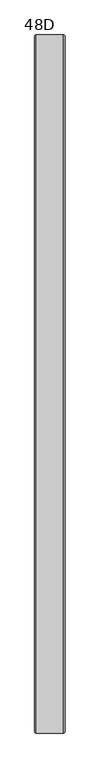
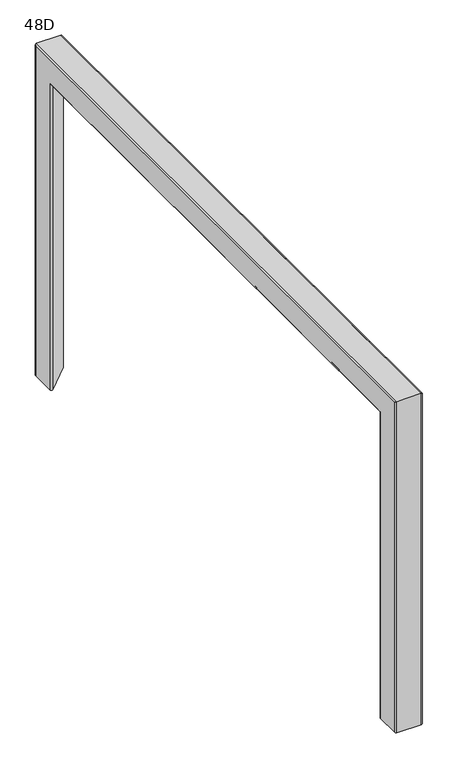
"""IFC4 building model written with IfcOpenShell, lengths in millimetres: furniture geometry, 48D."""

from ifc_helpers import new_model, si_unit, frame, origin, place, context, project, spatial, polyline, circle_curve, ellipse_curve, source, transform, mapped, element, save
from ifc_brep_helpers import plane_surface, cylinder_surface, revolved_surface, advanced_brep


def furniture_48d_151411e8(model_context):
    return source(origin(), model_context, "Body", "AdvancedBrep", [
        advanced_brep(
        [(-26.5, -557.2730518, 11.0), (-21.926821, -555.378779, 11.0), (25.721221, -603.026821, 11.0), (23.8269482, -607.6, 11.0), (-23.8210938, -607.6, 11.0), (-26.5, -604.9210938, 11.0), (-24.515625, -557.2730518, 11.0), (-24.515625, -604.9210938, 11.0), (-23.8210938, -605.615625, 11.0), (23.8269482, -605.615625, 11.0), (24.318056, -604.429986, 11.0), (-23.329986, -556.781944, 11.0), (-26.5, -557.2730518, 641.8230518), (-21.926821, -555.378779, 639.928779), (25.721221, -603.026821, 687.576821), (23.8269482, -607.6, 692.15), (-23.8210938, -607.6, 692.15), (-26.5, -604.9210938, 689.4710937), (-26.5, 604.9210937, 689.4710937), (-26.5, 604.9210937, 11.0), (-26.5, 557.2730518, 11.0), (-26.5, 557.2730518, 641.8230518), (-24.515625, -557.2730518, 641.8230518), (-24.515625, 557.2730518, 641.8230518), (-24.515625, 557.2730518, 11.0), (-24.515625, 604.9210937, 11.0), (-24.515625, 604.9210937, 689.4710937), (-24.515625, -604.9210938, 689.4710937), (-23.8210938, -605.615625, 690.165625), (23.8269482, -605.615625, 690.165625), (24.318056, -604.429986, 688.979986), (-23.329986, -556.781944, 641.331944), (-21.926821, 555.378779, 639.928779), (25.721221, 603.026821, 687.576821), (25.721221, 484.2418, 687.576821), (-14.0192722, 484.2418, 647.8363278), (-15.9638158, 483.5049397, 645.8917842), (-17.3873206, 481.4918, 644.4682794), (-17.9083595, 478.7418, 643.9472405), (-17.9083595, 434.2418, 643.9472405), (-17.3873206, 431.4918, 644.4682794), (-15.9638158, 429.4786603, 645.8917842), (-14.0192722, 428.7418, 647.8363278), (25.721221, 428.7418, 687.576821), (25.721221, 202.75, 687.576821), (-14.0192722, 202.75, 647.8363278), (-15.9638158, 202.0131397, 645.8917842), (-17.3873206, 200.0, 644.4682794), (-17.9083595, 197.25, 643.9472405), (-17.9083595, 152.75, 643.9472405), (-17.3873206, 150.0, 644.4682794), (-15.9638158, 147.9868603, 645.8917842), (-14.0192722, 147.25, 647.8363278), (25.721221, 147.25, 687.576821), (25.721221, -147.25, 687.576821), (-14.0192722, -147.25, 647.8363278), (-15.9638158, -147.9868603, 645.8917842), (-17.3873206, -150.0, 644.4682794), (-17.9083595, -152.75, 643.9472405), (-17.9083595, -197.25, 643.9472405), (-17.3873206, -200.0, 644.4682794), (-15.9638158, -202.0131397, 645.8917842), (-14.6790118, -202.5, 647.1765882), (25.721221, -202.5, 687.576821), (25.721221, -428.7418, 687.576821), (-14.0192722, -428.7418, 647.8363278), (-15.9638158, -429.4786603, 645.8917842), (-17.3873206, -431.4918, 644.4682794), (-17.9083595, -434.2418, 643.9472405), (-17.9083595, -478.7418, 643.9472405), (-17.3873206, -481.4918, 644.4682794), (-15.9638158, -483.5049397, 645.8917842), (-14.0192722, -484.2418, 647.8363278), (25.721221, -484.2418, 687.576821), (26.4706331, -484.2418, 689.9040702), (26.4706331, -428.7418, 689.9040702), (26.4763631, -202.5, 689.8675021), (26.4763631, -147.25, 689.8675021), (26.4763631, 147.25, 689.8675021), (26.4763631, 202.75, 689.8675021), (26.4763631, 428.7418, 689.8675021), (26.4763631, 484.2418, 689.8675021), (23.8269482, 607.6, 692.15), (-23.8210938, 607.6, 692.15), (-23.8210938, 605.615625, 690.165625), (23.8269482, 605.615625, 690.165625), (24.318056, 604.429986, 688.979986), (24.318056, 484.2418, 688.979986), (24.3972412, 484.2418, 689.8675021), (24.3972412, 428.7418, 689.8675021), (24.318056, 428.7418, 688.979986), (24.318056, 202.75, 688.979986), (24.3972412, 202.75, 689.8675021), (24.3972412, 147.25, 689.8675021), (24.318056, 147.25, 688.979986), (24.318056, -147.25, 688.979986), (24.3972412, -147.25, 689.8675021), (24.3972412, -202.5, 689.8675021), (24.318056, -202.5, 688.979986), (24.318056, -428.7418, 688.979986), (24.3699998, -428.7418, 689.9040702), (24.3699998, -484.2418, 689.9040702), (24.318056, -484.2418, 688.979986), (-16.8256022, -484.2418, 647.8363278), (-18.7701459, -483.5049397, 645.8917842), (-20.1936506, -481.4918, 644.4682794), (-20.7146895, -478.7418, 643.9472405), (-20.7146895, -434.2418, 643.9472405), (-20.1936506, -431.4918, 644.4682794), (-18.7701459, -429.4786603, 645.8917842), (-16.8256022, -428.7418, 647.8363278), (-17.4853418, -202.5, 647.1765882), (-18.7701459, -202.0131397, 645.8917842), (-20.1936506, -200.0, 644.4682794), (-20.7146895, -197.25, 643.9472405), (-20.7146895, -152.75, 643.9472405), (-20.1936506, -150.0, 644.4682794), (-18.7701459, -147.9868603, 645.8917842), (-16.8256022, -147.25, 647.8363278), (-16.8256022, 147.25, 647.8363278), (-18.7701459, 147.9868603, 645.8917842), (-20.1936506, 150.0, 644.4682794), (-20.7146895, 152.75, 643.9472405), (-20.7146895, 197.25, 643.9472405), (-20.1936506, 200.0, 644.4682794), (-18.7701459, 202.0131397, 645.8917842), (-16.8256022, 202.75, 647.8363278), (-16.8256022, 428.7418, 647.8363278), (-18.7701459, 429.4786603, 645.8917842), (-20.1936506, 431.4918, 644.4682794), (-20.7146895, 434.2418, 643.9472405), (-20.7146895, 478.7418, 643.9472405), (-20.1936506, 481.4918, 644.4682794), (-18.7701459, 483.5049397, 645.8917842), (-16.8256022, 484.2418, 647.8363278), (-23.329986, 556.781944, 641.331944), (-23.8210938, 607.6, 11.0), (23.8269482, 607.6, 11.0), (25.721221, 603.026821, 11.0), (-21.926821, 555.378779, 11.0), (-23.329986, 556.781944, 11.0), (24.318056, 604.429986, 11.0), (23.8269482, 605.615625, 11.0), (-23.8210938, 605.615625, 11.0)],
        [
            (0, 1, circle_curve(frame((-23.8210938, -557.2730518, 11.0), z_axis=(0.0, 0.0, -1.0), x_axis=(0.0, 1.0, 0.0)), 2.6789063)),
            (1, 2),
            (2, 3, circle_curve(frame((23.8269482, -604.9210938, 11.0), z_axis=(0.0, 0.0, -1.0), x_axis=(0.0, 1.0, 0.0)), 2.6789062)),
            (3, 4),
            (4, 5, circle_curve(frame((-23.8210938, -604.9210938, 11.0), z_axis=(0.0, 0.0, -1.0), x_axis=(0.0, 1.0, 0.0)), 2.6789063)),
            (5, 0),
            (6, 7),
            (7, 8, circle_curve(frame((-23.8210938, -604.9210938, 11.0), z_axis=(0.0, 0.0, 1.0), x_axis=(0.0, 1.0, 0.0)), 0.6945312)),
            (8, 9),
            (9, 10, circle_curve(frame((23.8269482, -604.9210938, 11.0), z_axis=(0.0, 0.0, 1.0), x_axis=(0.0, 1.0, 0.0)), 0.6945312)),
            (10, 11),
            (11, 6, circle_curve(frame((-23.8210938, -557.2730518, 11.0), z_axis=(0.0, 0.0, 1.0), x_axis=(0.0, 1.0, 0.0)), 0.6945313)),
            (0, 12),
            (12, 13, ellipse_curve(frame((-23.8210938, -557.2730518, 641.8230518), z_axis=(0.0, -0.7071067811865475, -0.7071067811865475), x_axis=(0.0, 0.7071067811865474, -0.7071067811865476)), 3.7885456, 2.6789063)),
            (13, 1),
            (13, 14),
            (14, 2),
            (14, 15, ellipse_curve(frame((23.8269482, -604.9210938, 689.4710937), z_axis=(0.0, -0.7071067811865475, -0.7071067811865475), x_axis=(0.0, 0.7071067811865474, -0.7071067811865476)), 3.7885456, 2.6789063)),
            (15, 3),
            (15, 16),
            (16, 4),
            (16, 17, ellipse_curve(frame((-23.8210938, -604.9210938, 689.4710937), z_axis=(0.0, -0.7071067811865475, -0.7071067811865475), x_axis=(0.0, 0.7071067811865474, -0.7071067811865476)), 3.7885456, 2.6789063)),
            (17, 5),
            (17, 18),
            (18, 19),
            (19, 20),
            (20, 21),
            (21, 12),
            (6, 22),
            (22, 23),
            (23, 24),
            (24, 25),
            (25, 26),
            (26, 27),
            (27, 7),
            (27, 28, ellipse_curve(frame((-23.8210938, -604.9210938, 689.4710937), z_axis=(0.0, 0.7071067811865475, 0.7071067811865475), x_axis=(0.0, -0.7071067811865474, 0.7071067811865476)), 0.9822155, 0.6945312)),
            (28, 8),
            (28, 29),
            (29, 9),
            (29, 30, ellipse_curve(frame((23.8269482, -604.9210938, 689.4710937), z_axis=(0.0, 0.7071067811865475, 0.7071067811865475), x_axis=(0.0, -0.7071067811865474, 0.7071067811865476)), 0.9822155, 0.6945312)),
            (30, 10),
            (30, 31),
            (31, 11),
            (31, 22, ellipse_curve(frame((-23.8210938, -557.2730518, 641.8230518), z_axis=(0.0, 0.7071067811865475, 0.7071067811865475), x_axis=(0.0, -0.7071067811865474, 0.7071067811865476)), 0.9822155, 0.6945312)),
            (21, 32, ellipse_curve(frame((-23.8210938, 557.2730518, 641.8230518), z_axis=(0.0, -0.7071067811865475, 0.7071067811865475), x_axis=(0.0, -0.7071067811865476, -0.7071067811865474)), 3.7885456, 2.6789063)),
            (32, 13),
            (32, 33),
            (33, 34),
            (34, 35),
            (35, 36),
            (36, 37),
            (37, 38),
            (38, 39),
            (39, 40),
            (40, 41),
            (41, 42),
            (42, 43),
            (43, 44),
            (44, 45),
            (45, 46),
            (46, 47),
            (47, 48),
            (48, 49),
            (49, 50),
            (50, 51),
            (51, 52),
            (52, 53),
            (53, 54),
            (54, 55),
            (55, 56),
            (56, 57),
            (57, 58),
            (58, 59),
            (59, 60),
            (60, 61),
            (61, 62),
            (62, 63),
            (63, 64),
            (64, 65),
            (65, 66),
            (66, 67),
            (67, 68),
            (68, 69),
            (69, 70),
            (70, 71),
            (71, 72),
            (72, 73),
            (73, 14),
            (73, 74, circle_curve(frame((23.8269482, -484.2418, 689.4710937), z_axis=(0.0, -1.0, 0.0), x_axis=(0.0, 0.0, -1.0)), 2.6789063)),
            (74, 75),
            (75, 64, circle_curve(frame((23.8269482, -428.7418, 689.4710937), z_axis=(0.0, 1.0, 0.0), x_axis=(0.0, 0.0, -1.0)), 2.6789063)),
            (63, 76, circle_curve(frame((23.8269482, -202.5, 689.4710937), z_axis=(0.0, -1.0, 0.0), x_axis=(0.0, 0.0, -1.0)), 2.6789063)),
            (76, 77),
            (77, 54, circle_curve(frame((23.8269482, -147.25, 689.4710937), z_axis=(0.0, 1.0, 0.0), x_axis=(0.0, 0.0, -1.0)), 2.6789063)),
            (53, 78, circle_curve(frame((23.8269482, 147.25, 689.4710937), z_axis=(0.0, -1.0, 0.0), x_axis=(0.0, 0.0, -1.0)), 2.6789063)),
            (78, 79),
            (79, 44, circle_curve(frame((23.8269482, 202.75, 689.4710937), z_axis=(0.0, 1.0, 0.0), x_axis=(0.0, 0.0, -1.0)), 2.6789063)),
            (43, 80, circle_curve(frame((23.8269482, 428.7418, 689.4710937), z_axis=(0.0, -1.0, 0.0), x_axis=(0.0, 0.0, -1.0)), 2.6789063)),
            (80, 81),
            (81, 34, circle_curve(frame((23.8269482, 484.2418, 689.4710937), z_axis=(0.0, 1.0, 0.0), x_axis=(0.0, 0.0, -1.0)), 2.6789063)),
            (33, 82, ellipse_curve(frame((23.8269482, 604.9210937, 689.4710937), z_axis=(0.0, -0.7071067811865475, 0.7071067811865475), x_axis=(0.0, -0.7071067811865476, -0.7071067811865474)), 3.7885456, 2.6789063)),
            (82, 15),
            (82, 83),
            (83, 16),
            (83, 18, ellipse_curve(frame((-23.8210938, 604.9210937, 689.4710937), z_axis=(0.0, -0.7071067811865475, 0.7071067811865475), x_axis=(0.0, -0.7071067811865476, -0.7071067811865474)), 3.7885456, 2.6789063)),
            (26, 84, ellipse_curve(frame((-23.8210938, 604.9210937, 689.4710937), z_axis=(0.0, 0.7071067811865475, -0.7071067811865475), x_axis=(0.0, 0.7071067811865476, 0.7071067811865474)), 0.9822155, 0.6945312)),
            (84, 28),
            (84, 85),
            (85, 29),
            (85, 86, ellipse_curve(frame((23.8269482, 604.9210937, 689.4710937), z_axis=(0.0, 0.7071067811865475, -0.7071067811865475), x_axis=(0.0, 0.7071067811865476, 0.7071067811865474)), 0.9822155, 0.6945312)),
            (86, 87),
            (87, 88, circle_curve(frame((23.8269482, 484.2418, 689.4710937), z_axis=(0.0, -1.0, 0.0), x_axis=(0.0, 0.0, -1.0)), 0.6945313)),
            (88, 89),
            (89, 90, circle_curve(frame((23.8269482, 428.7418, 689.4710937), z_axis=(0.0, 1.0, 0.0), x_axis=(0.0, 0.0, -1.0)), 0.6945313)),
            (90, 91),
            (91, 92, circle_curve(frame((23.8269482, 202.75, 689.4710937), z_axis=(0.0, -1.0, 0.0), x_axis=(0.0, 0.0, -1.0)), 0.6945313)),
            (92, 93),
            (93, 94, circle_curve(frame((23.8269482, 147.25, 689.4710937), z_axis=(0.0, 1.0, 0.0), x_axis=(0.0, 0.0, -1.0)), 0.6945312)),
            (94, 95),
            (95, 96, circle_curve(frame((23.8269482, -147.25, 689.4710937), z_axis=(0.0, -1.0, 0.0), x_axis=(0.0, 0.0, -1.0)), 0.6945313)),
            (96, 97),
            (97, 98, circle_curve(frame((23.8269482, -202.5, 689.4710937), z_axis=(0.0, 1.0, 0.0), x_axis=(0.0, 0.0, -1.0)), 0.6945312)),
            (98, 99),
            (99, 100, circle_curve(frame((23.8269482, -428.7418, 689.4710937), z_axis=(0.0, -1.0, 0.0), x_axis=(0.0, 0.0, -1.0)), 0.6945313)),
            (100, 101),
            (101, 102, circle_curve(frame((23.8269482, -484.2418, 689.4710937), z_axis=(0.0, 1.0, 0.0), x_axis=(0.0, 0.0, -1.0)), 0.6945313)),
            (102, 30),
            (102, 103),
            (103, 104),
            (104, 105),
            (105, 106),
            (106, 107),
            (107, 108),
            (108, 109),
            (109, 110),
            (110, 99),
            (98, 111),
            (111, 112),
            (112, 113),
            (113, 114),
            (114, 115),
            (115, 116),
            (116, 117),
            (117, 118),
            (118, 95),
            (94, 119),
            (119, 120),
            (120, 121),
            (121, 122),
            (122, 123),
            (123, 124),
            (124, 125),
            (125, 126),
            (126, 91),
            (90, 127),
            (127, 128),
            (128, 129),
            (129, 130),
            (130, 131),
            (131, 132),
            (132, 133),
            (133, 134),
            (134, 87),
            (86, 135),
            (135, 31),
            (135, 23, ellipse_curve(frame((-23.8210938, 557.2730518, 641.8230518), z_axis=(0.0, 0.7071067811865475, -0.7071067811865475), x_axis=(0.0, 0.7071067811865476, 0.7071067811865474)), 0.9822155, 0.6945312)),
            (19, 136, circle_curve(frame((-23.8210938, 604.9210937, 11.0), z_axis=(0.0, 0.0, -1.0), x_axis=(0.0, -1.0, 0.0)), 2.6789063)),
            (136, 137),
            (137, 138, circle_curve(frame((23.8269482, 604.9210937, 11.0), z_axis=(0.0, 0.0, -1.0), x_axis=(0.0, -1.0, 0.0)), 2.6789063)),
            (138, 139),
            (139, 20, circle_curve(frame((-23.8210938, 557.2730518, 11.0), z_axis=(0.0, 0.0, -1.0), x_axis=(0.0, -1.0, 0.0)), 2.6789062)),
            (24, 140, circle_curve(frame((-23.8210938, 557.2730518, 11.0), z_axis=(0.0, 0.0, 1.0), x_axis=(0.0, -1.0, 0.0)), 0.6945312)),
            (140, 141),
            (141, 142, circle_curve(frame((23.8269482, 604.9210937, 11.0), z_axis=(0.0, 0.0, 1.0), x_axis=(0.0, -1.0, 0.0)), 0.6945313)),
            (142, 143),
            (143, 25, circle_curve(frame((-23.8210938, 604.9210937, 11.0), z_axis=(0.0, 0.0, 1.0), x_axis=(0.0, -1.0, 0.0)), 0.6945312)),
            (139, 32),
            (138, 33),
            (137, 82),
            (136, 83),
            (143, 84),
            (142, 85),
            (141, 86),
            (140, 135),
            (103, 72),
            (71, 104),
            (70, 105),
            (69, 106),
            (68, 107),
            (67, 108),
            (66, 109),
            (65, 110),
            (75, 100),
            (74, 101),
            (133, 36),
            (35, 134),
            (132, 37),
            (131, 38),
            (130, 39),
            (129, 40),
            (128, 41),
            (127, 42),
            (89, 80),
            (88, 81),
            (125, 46),
            (45, 126),
            (124, 47),
            (123, 48),
            (122, 49),
            (121, 50),
            (120, 51),
            (119, 52),
            (93, 78),
            (92, 79),
            (117, 56),
            (55, 118),
            (116, 57),
            (115, 58),
            (114, 59),
            (113, 60),
            (112, 61),
            (111, 62),
            (97, 76),
            (96, 77),
        ],
        [
            plane_surface(frame((0.0, -607.6, 11.0), z_axis=(0.0, 0.0, -1.0), x_axis=(1.0, 0.0, 0.0))),
            cylinder_surface(frame((-23.8210938, -557.2730518, 11.0), z_axis=(0.0, 0.0, -1.0), x_axis=(0.0, 1.0, 0.0)), 2.6789063),
            plane_surface(frame((-21.926821, -555.378779, 11.0), z_axis=(0.7071067811865482, 0.7071067811865469, 0.0), x_axis=(0.0, 0.0, 1.0))),
            cylinder_surface(frame((23.8269482, -604.9210938, 11.0), z_axis=(0.0, 0.0, -1.0), x_axis=(0.0, 1.0, 0.0)), 2.6789063),
            plane_surface(frame((23.8269482, -607.6, 11.0), z_axis=(0.0, -1.0, 0.0), x_axis=(0.0, 0.0, 1.0))),
            cylinder_surface(frame((-23.8210938, -604.9210938, 11.0), z_axis=(0.0, 0.0, -1.0), x_axis=(0.0, 1.0, 0.0)), 2.6789063),
            plane_surface(frame((-26.5, -604.9210938, 11.0), z_axis=(-1.0, 0.0, 0.0), x_axis=(0.0, 0.0, 1.0))),
            plane_surface(frame((-24.515625, -557.2730518, 11.0), z_axis=(1.0, 0.0, 0.0), x_axis=(0.0, 0.0, 1.0))),
            revolved_surface(polyline([(-23.8210938, -604.2265626, 690.165625), (-23.8210938, -604.2265626, 11.0)]), (-23.8210938, -604.9210938, 11.0), (0.0, 0.0, 1.0)),
            plane_surface(frame((-23.8210938, -605.615625, 11.0), z_axis=(0.0, 1.0, 0.0), x_axis=(0.0, 0.0, 1.0))),
            revolved_surface(polyline([(23.8269482, -604.2265626, 690.165625), (23.8269482, -604.2265626, 11.0)]), (23.8269482, -604.9210938, 11.0), (0.0, 0.0, 1.0)),
            plane_surface(frame((24.318056, -604.429986, 11.0), z_axis=(-0.7071067811865481, -0.7071067811865469, 0.0), x_axis=(0.0, 0.0, 1.0))),
            revolved_surface(polyline([(-23.8210938, -556.5785205999999, 642.5175830406365), (-23.8210938, -556.5785205999999, 11.0)]), (-23.8210938, -557.2730518, 11.0), (0.0, 0.0, 1.0)),
            cylinder_surface(frame((-23.8210938, -607.6, 641.8230518), z_axis=(0.0, -1.0, 0.0), x_axis=(0.0, 0.0, -1.0)), 2.6789063),
            plane_surface(frame((-21.926821, -555.378779, 639.928779), z_axis=(0.707106781186541, 0.0, -0.7071067811865541), x_axis=(0.0, 1.0, 0.0))),
            cylinder_surface(frame((23.8269482, -607.6, 689.4710937), z_axis=(0.0, -1.0, 0.0), x_axis=(0.0, 0.0, -1.0)), 2.6789063),
            plane_surface(frame((23.8269482, -607.6, 692.15), z_axis=(0.0, 0.0, 1.0), x_axis=(0.0, 1.0, 0.0))),
            cylinder_surface(frame((-23.8210938, -607.6, 689.4710937), z_axis=(0.0, -1.0, 0.0), x_axis=(0.0, 0.0, -1.0)), 2.6789063),
            revolved_surface(polyline([(-23.8210938, 605.615625, 688.7765625), (-23.8210938, -605.6156250406365, 688.7765625)]), (-23.8210938, -607.6, 689.4710937), (0.0, 1.0, 0.0)),
            plane_surface(frame((-23.8210938, -605.615625, 690.165625), z_axis=(0.0, 0.0, -1.0), x_axis=(0.0, 1.0, 0.0))),
            revolved_surface(polyline([(23.8269482, 605.615625, 688.7765625), (23.8269482, -605.6156250406365, 688.7765625)]), (23.8269482, -607.6, 689.4710937), (0.0, 1.0, 0.0)),
            plane_surface(frame((24.318056, -604.429986, 688.979986), z_axis=(-0.7071067811865409, 0.0, 0.7071067811865541), x_axis=(0.0, 1.0, 0.0))),
            revolved_surface(polyline([(-23.8210938, 557.9675830406364, 641.1285206), (-23.8210938, -557.9675830406366, 641.1285206)]), (-23.8210938, -607.6, 641.8230518), (0.0, 1.0, 0.0)),
            plane_surface(frame((0.0, 607.6, 11.0), z_axis=(0.0, 0.0, -1.0), x_axis=(1.0, 0.0, 0.0))),
            cylinder_surface(frame((-23.8210938, 557.2730518, 692.15), z_axis=(0.0, 0.0, 1.0), x_axis=(0.0, -1.0, 0.0)), 2.6789063),
            plane_surface(frame((-21.926821, 555.378779, 639.928779), z_axis=(0.7071067811865482, -0.7071067811865469, 0.0), x_axis=(0.0, 0.0, -1.0))),
            cylinder_surface(frame((23.8269482, 604.9210937, 692.15), z_axis=(0.0, 0.0, 1.0), x_axis=(0.0, -1.0, 0.0)), 2.6789063),
            plane_surface(frame((23.8269482, 607.6, 692.15), z_axis=(0.0, 1.0, 0.0), x_axis=(0.0, 0.0, -1.0))),
            cylinder_surface(frame((-23.8210938, 604.9210937, 692.15), z_axis=(0.0, 0.0, 1.0), x_axis=(0.0, -1.0, 0.0)), 2.6789063),
            revolved_surface(polyline([(-23.8210938, 604.2265625, 11.0), (-23.8210938, 604.2265625, 690.165625)]), (-23.8210938, 604.9210937, 692.15), (0.0, 0.0, -1.0)),
            plane_surface(frame((-23.8210938, 605.615625, 690.165625), z_axis=(0.0, -1.0, 0.0), x_axis=(0.0, 0.0, -1.0))),
            revolved_surface(polyline([(23.8269482, 604.2265625, 11.0), (23.8269482, 604.2265625, 690.165625)]), (23.8269482, 604.9210937, 692.15), (0.0, 0.0, -1.0)),
            plane_surface(frame((24.318056, 604.429986, 688.979986), z_axis=(-0.7071067811865481, 0.7071067811865469, 0.0), x_axis=(0.0, 0.0, -1.0))),
            revolved_surface(polyline([(-23.8210938, 556.5785205999999, 11.0), (-23.8210938, 556.5785205999999, 642.5175830406365)]), (-23.8210938, 557.2730518, 692.15), (0.0, 0.0, -1.0)),
            plane_surface(frame((33.5689022, -484.2418, 647.8363278), z_axis=(0.0, 0.9351131265315527, 0.35434932000553426), x_axis=(-1.0, 0.0, 0.0))),
            plane_surface(frame((33.5689022, -483.5049397, 645.8917842), z_axis=(0.0, 0.577350269189627, 0.8164965809277253), x_axis=(-1.0, 0.0, 0.0))),
            plane_surface(frame((33.5689022, -481.4918, 644.4682794), z_axis=(0.0, 0.18615678789531614, 0.98252005084909), x_axis=(-1.0, 0.0, 0.0))),
            plane_surface(frame((33.5689022, -478.7418, 643.9472405), z_axis=(0.0, 0.0, 1.0), x_axis=(-1.0, 0.0, 0.0))),
            plane_surface(frame((33.5689022, -434.2418, 643.9472405), z_axis=(0.0, -0.1861567878975693, 0.982520050848663), x_axis=(-1.0, 0.0, 0.0))),
            plane_surface(frame((33.5689022, -431.4918, 644.4682794), z_axis=(0.0, -0.5773502691875897, 0.8164965809291659), x_axis=(-1.0, 0.0, 0.0))),
            plane_surface(frame((33.5689022, -429.4786603, 645.8917842), z_axis=(0.0, -0.9351131265306862, 0.3543493200078206), x_axis=(-1.0, 0.0, 0.0))),
            plane_surface(frame((33.5689022, -428.7418, 647.8363278), z_axis=(0.0, -1.0, 0.0), x_axis=(-1.0, 0.0, 0.0))),
            plane_surface(frame((33.5689022, -428.7418, 689.9040702), z_axis=(0.0, 0.0, -1.0), x_axis=(-1.0, 0.0, 0.0))),
            plane_surface(frame((33.5689022, -484.2418, 689.9040702), z_axis=(0.0, 1.0, 0.0), x_axis=(-1.0, 0.0, 0.0))),
            plane_surface(frame((33.5689022, 483.5049397, 645.8917842), z_axis=(0.0, -0.9351131265312236, 0.35434932000640273), x_axis=(-1.0, 0.0, 0.0))),
            plane_surface(frame((33.5689022, 481.4918, 644.4682794), z_axis=(0.0, -0.577350269189627, 0.8164965809277253), x_axis=(-1.0, 0.0, 0.0))),
            plane_surface(frame((33.5689022, 478.7418, 643.9472405), z_axis=(0.0, -0.18615678789531614, 0.98252005084909), x_axis=(-1.0, 0.0, 0.0))),
            plane_surface(frame((33.5689022, 434.2418, 643.9472405), z_axis=(0.0, 0.0, 1.0), x_axis=(-1.0, 0.0, 0.0))),
            plane_surface(frame((33.5689022, 431.4918, 644.4682794), z_axis=(0.0, 0.18615678789753395, 0.9825200508486698), x_axis=(-1.0, 0.0, 0.0))),
            plane_surface(frame((33.5689022, 429.4786603, 645.8917842), z_axis=(0.0, 0.5773502691875897, 0.8164965809291659), x_axis=(-1.0, 0.0, 0.0))),
            plane_surface(frame((33.5689022, 428.7418, 647.8363278), z_axis=(0.0, 0.9351131265310667, 0.35434932000681674), x_axis=(-1.0, 0.0, 0.0))),
            plane_surface(frame((33.5689022, 428.7418, 689.8675021), z_axis=(0.0, 1.0, 0.0), x_axis=(-1.0, 0.0, 0.0))),
            plane_surface(frame((33.5689022, 484.2418, 689.8675021), z_axis=(0.0, 0.0, -1.0), x_axis=(-1.0, 0.0, 0.0))),
            plane_surface(frame((33.5689022, 484.2418, 647.8363278), z_axis=(0.0, -1.0, 0.0), x_axis=(-1.0, 0.0, 0.0))),
            plane_surface(frame((33.5689022, 202.0131397, 645.8917842), z_axis=(0.0, -0.9351131265325193, 0.354349320002983), x_axis=(-1.0, 0.0, 0.0))),
            plane_surface(frame((33.5689022, 200.0, 644.4682794), z_axis=(0.0, -0.577350269189627, 0.8164965809277253), x_axis=(-1.0, 0.0, 0.0))),
            plane_surface(frame((33.5689022, 197.25, 643.9472405), z_axis=(0.0, -0.18615678789531614, 0.98252005084909), x_axis=(-1.0, 0.0, 0.0))),
            plane_surface(frame((33.5689022, 152.75, 643.9472405), z_axis=(0.0, 0.0, 1.0), x_axis=(-1.0, 0.0, 0.0))),
            plane_surface(frame((33.5689022, 150.0, 644.4682794), z_axis=(0.0, 0.18615678789753504, 0.9825200508486696), x_axis=(-1.0, 0.0, 0.0))),
            plane_surface(frame((33.5689022, 147.9868603, 645.8917842), z_axis=(0.0, 0.5773502691875897, 0.8164965809291659), x_axis=(-1.0, 0.0, 0.0))),
            plane_surface(frame((33.5689022, 147.25, 647.8363278), z_axis=(0.0, 0.9351131265295063, 0.35434932001093455), x_axis=(-1.0, 0.0, 0.0))),
            plane_surface(frame((33.5689022, 147.25, 689.8675021), z_axis=(0.0, 1.0, 0.0), x_axis=(-1.0, 0.0, 0.0))),
            plane_surface(frame((33.5689022, 202.75, 689.8675021), z_axis=(0.0, 0.0, -1.0), x_axis=(-1.0, 0.0, 0.0))),
            plane_surface(frame((33.5689022, 202.75, 647.8363278), z_axis=(0.0, -1.0, 0.0), x_axis=(-1.0, 0.0, 0.0))),
            plane_surface(frame((33.5689022, -147.9868603, 645.8917842), z_axis=(0.0, -0.9351131265325112, 0.3543493200030047), x_axis=(-1.0, 0.0, 0.0))),
            plane_surface(frame((33.5689022, -150.0, 644.4682794), z_axis=(0.0, -0.577350269189627, 0.8164965809277253), x_axis=(-1.0, 0.0, 0.0))),
            plane_surface(frame((33.5689022, -152.75, 643.9472405), z_axis=(0.0, -0.18615678789531614, 0.98252005084909), x_axis=(-1.0, 0.0, 0.0))),
            plane_surface(frame((33.5689022, -197.25, 643.9472405), z_axis=(0.0, 0.0, 1.0), x_axis=(-1.0, 0.0, 0.0))),
            plane_surface(frame((33.5689022, -200.0, 644.4682794), z_axis=(0.0, 0.18615678789753395, 0.9825200508486698), x_axis=(-1.0, 0.0, 0.0))),
            plane_surface(frame((33.5689022, -202.0131397, 645.8917842), z_axis=(0.0, 0.5773502691875897, 0.8164965809291659), x_axis=(-1.0, 0.0, 0.0))),
            plane_surface(frame((33.5689022, -202.5, 647.1765882), z_axis=(0.0, 0.935113126528669, 0.3543493200131441), x_axis=(-1.0, 0.0, 0.0))),
            plane_surface(frame((33.5689022, -202.5, 689.8675021), z_axis=(0.0, 1.0, 0.0), x_axis=(-1.0, 0.0, 0.0))),
            plane_surface(frame((33.5689022, -147.25, 689.8675021), z_axis=(0.0, 0.0, -1.0), x_axis=(-1.0, 0.0, 0.0))),
            plane_surface(frame((33.5689022, -147.25, 647.8363278), z_axis=(0.0, -1.0, 0.0), x_axis=(-1.0, 0.0, 0.0))),
        ],
        [
            (0, [[1, 2, 3, 4, 5, 6], [7, 8, 9, 10, 11, 12]]),
            (1, [[-1, 13, 14, 15]]),
            (2, [[-2, -15, 16, 17]]),
            (3, [[-3, -17, 18, 19]]),
            (4, [[-4, -19, 20, 21]]),
            (5, [[-5, -21, 22, 23]]),
            (6, [[-6, -23, 24, 25, 26, 27, 28, -13]]),
            (7, [[-7, 29, 30, 31, 32, 33, 34, 35]]),
            (8, [[-8, -35, 36, 37]]),
            (9, [[-9, -37, 38, 39]]),
            (10, [[-10, -39, 40, 41]]),
            (11, [[-11, -41, 42, 43]]),
            (12, [[-12, -43, 44, -29]]),
            (13, [[-14, -28, 45, 46]]),
            (14, [[-16, -46, 47, 48, 49, 50, 51, 52, 53, 54, 55, 56, 57, 58, 59, 60, 61, 62, 63, 64, 65, 66, 67, 68, 69, 70, 71, 72, 73, 74, 75, 76, 77, 78, 79, 80, 81, 82, 83, 84, 85, 86, 87, 88]]),
            (15, [[-18, -88, 89, 90, 91, -78, 92, 93, 94, -68, 95, 96, 97, -58, 98, 99, 100, -48, 101, 102]]),
            (16, [[-20, -102, 103, 104]]),
            (17, [[-22, -104, 105, -24]]),
            (18, [[-34, 106, 107, -36]]),
            (19, [[-38, -107, 108, 109]]),
            (20, [[-40, -109, 110, 111, 112, 113, 114, 115, 116, 117, 118, 119, 120, 121, 122, 123, 124, 125, 126, 127]]),
            (21, [[-42, -127, 128, 129, 130, 131, 132, 133, 134, 135, 136, -123, 137, 138, 139, 140, 141, 142, 143, 144, 145, -119, 146, 147, 148, 149, 150, 151, 152, 153, 154, -115, 155, 156, 157, 158, 159, 160, 161, 162, 163, -111, 164, 165]]),
            (22, [[-30, -44, -165, 166]]),
            (23, [[-26, 167, 168, 169, 170, 171], [-32, 172, 173, 174, 175, 176]]),
            (24, [[-27, -171, 177, -45]]),
            (25, [[-47, -177, -170, 178]]),
            (26, [[-101, -178, -169, 179]]),
            (27, [[-103, -179, -168, 180]]),
            (28, [[-25, -105, -180, -167]]),
            (29, [[-33, -176, 181, -106]]),
            (30, [[-108, -181, -175, 182]]),
            (31, [[-110, -182, -174, 183]]),
            (32, [[-164, -183, -173, 184]]),
            (33, [[-31, -166, -184, -172]]),
            (34, [[185, -86, 186, -129]]),
            (35, [[-186, -85, 187, -130]]),
            (36, [[-187, -84, 188, -131]]),
            (37, [[-188, -83, 189, -132]]),
            (38, [[-189, -82, 190, -133]]),
            (39, [[-190, -81, 191, -134]]),
            (40, [[-191, -80, 192, -135]]),
            (41, [[-192, -79, -91, 193, -124, -136]]),
            (42, [[-193, -90, 194, -125]]),
            (43, [[-185, -128, -126, -194, -89, -87]]),
            (44, [[195, -50, 196, -162]]),
            (45, [[-195, -161, 197, -51]]),
            (46, [[-197, -160, 198, -52]]),
            (47, [[-198, -159, 199, -53]]),
            (48, [[-199, -158, 200, -54]]),
            (49, [[-200, -157, 201, -55]]),
            (50, [[-201, -156, 202, -56]]),
            (51, [[-202, -155, -114, 203, -98, -57]]),
            (52, [[-203, -113, 204, -99]]),
            (53, [[-204, -112, -163, -196, -49, -100]]),
            (54, [[205, -60, 206, -153]]),
            (55, [[-205, -152, 207, -61]]),
            (56, [[-207, -151, 208, -62]]),
            (57, [[-208, -150, 209, -63]]),
            (58, [[-209, -149, 210, -64]]),
            (59, [[-210, -148, 211, -65]]),
            (60, [[-211, -147, 212, -66]]),
            (61, [[-212, -146, -118, 213, -95, -67]]),
            (62, [[-213, -117, 214, -96]]),
            (63, [[-214, -116, -154, -206, -59, -97]]),
            (64, [[215, -70, 216, -144]]),
            (65, [[-215, -143, 217, -71]]),
            (66, [[-217, -142, 218, -72]]),
            (67, [[-218, -141, 219, -73]]),
            (68, [[-219, -140, 220, -74]]),
            (69, [[-220, -139, 221, -75]]),
            (70, [[-221, -138, 222, -76]]),
            (71, [[-222, -137, -122, 223, -92, -77]]),
            (72, [[-223, -121, 224, -93]]),
            (73, [[-224, -120, -145, -216, -69, -94]]),
        ],
    ),
    ])


if __name__ == "__main__":
    model = new_model("IFC4")
    model_context = context("Model", 3, world=origin())
    ifc_project = project(units=[si_unit("LENGTHUNIT", "METRE", prefix="MILLI")], contexts=[model_context])
    site = spatial("IfcSite", under=ifc_project)
    building = spatial("IfcBuilding", under=site)
    placement = place(None, origin())
    furniture_48d_shape = furniture_48d_151411e8(model_context)
    element("IfcFurniture", 1, ObjectType="48D", at=placement, inside=building, context=model_context, shape_type="MappedRepresentation", body=[
        mapped(furniture_48d_shape, transform((0.0, 0.0, 0.0), x_axis=(1.0, 0.0, 0.0), y_axis=(0.0, 1.0, 0.0), z_axis=(0.0, 0.0, 1.0))),
    ])
    save(model, "model.ifc")
